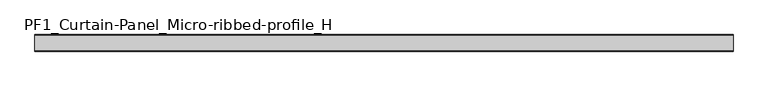
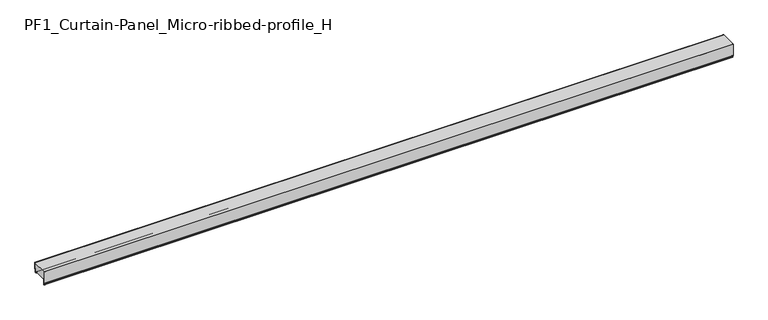
"""IFC4 building model written with IfcOpenShell, lengths in millimetres: plate geometry, PF1_Curtain-Panel_Micro-ribbed-profile_H."""

from ifc_helpers import new_model, si_unit, point, frame, frame_2d, origin, place, context, project, spatial, polyline, circle_curve, trimmed, segment, composite_curve, outline, extrude, source, transform, mapped, element, save


def pf1_curtain_panel_micro_ribbed_profile_h_3c71a68b(model_context):
    return source(origin(), model_context, "Body", "SweptSolid", [
        extrude(outline(composite_curve([segment(polyline([(-90.0, 0.0), (-93.5, 0.0)]), True, "CONTINUOUS"), segment(trimmed(circle_curve(frame_2d((-93.5, -2.0)), 2.0), [point((-93.5, 0.0))], [point((-95.5, -2.0))], True, "CARTESIAN"), True, "CONTINUOUS"), segment(polyline([(-95.5, -2.0), (-95.5, -33.0)]), True, "CONTINUOUS"), segment(trimmed(circle_curve(frame_2d((-96.5, -33.0)), 1.0), [point((-95.5, -33.0))], [point((-97.5, -33.0))], False, "CARTESIAN"), True, "CONTINUOUS"), segment(polyline([(-97.5, -33.0), (-97.5, -26.9)]), True, "CONTINUOUS"), segment(trimmed(circle_curve(frame_2d((-98.4, -26.9)), 0.9), [point((-97.5, -26.9))], [point((-98.4, -26.0))], True, "CARTESIAN"), True, "CONTINUOUS"), segment(trimmed(circle_curve(frame_2d((-98.4, -24.4)), 1.6), [point((-98.4, -26.0))], [point((-100.0, -24.4))], False, "CARTESIAN"), True, "CONTINUOUS"), segment(polyline([(-100.0, -24.4), (-100.0, 50.0), (-99.2, 50.0), (-99.2, -24.4)]), True, "CONTINUOUS"), segment(trimmed(circle_curve(frame_2d((-98.4, -24.4)), 0.8), [point((-99.2, -24.4))], [point((-98.4, -25.2))], True, "CARTESIAN"), True, "CONTINUOUS"), segment(trimmed(circle_curve(frame_2d((-98.6133333, -26.9)), 1.7133333), [point((-98.4, -25.2))], [point((-96.9, -26.9))], False, "CARTESIAN"), True, "CONTINUOUS"), segment(polyline([(-96.9, -26.9), (-96.9, -32.8700312)]), True, "CONTINUOUS"), segment(trimmed(circle_curve(frame_2d((-96.6, -32.8700312)), 0.3), [point((-96.9, -32.8700312))], [point((-96.3, -32.8700312))], True, "CARTESIAN"), True, "CONTINUOUS"), segment(polyline([(-96.3, -32.8700312), (-96.3, -2.0)]), True, "CONTINUOUS"), segment(trimmed(circle_curve(frame_2d((-93.5, -2.0)), 2.8), [point((-96.3, -2.0))], [point((-93.5, 0.8))], False, "CARTESIAN"), True, "CONTINUOUS"), segment(polyline([(-93.5, 0.8), (-90.0, 0.8), (-90.0, 0.0)]), True, "CONTINUOUS")], self_intersect=False)), frame((-2100.0, 0.0, 0.0), z_axis=(1.0, 0.0, 0.0), x_axis=(0.0, 1.0, 0.0)), (0.0, 0.0, 1.0), 4200.0),
        extrude(outline(composite_curve([segment(polyline([(-15.878557, 0.0), (-20.0, 0.0), (-20.0, 0.8), (-15.878557, 0.8)]), True, "CONTINUOUS"), segment(trimmed(circle_curve(frame_2d((-15.878557, -2.0)), 2.8), [point((-15.878557, 0.8))], [point((-13.1503208, -1.370137))], False, "CARTESIAN"), True, "CONTINUOUS"), segment(polyline([(-13.1503208, -1.370137), (-11.728236, -7.529863)]), True, "CONTINUOUS"), segment(trimmed(circle_curve(frame_2d((-9.0, -6.9)), 2.8), [point((-11.728236, -7.529863))], [point((-6.2, -6.9))], True, "CARTESIAN"), True, "CONTINUOUS"), segment(polyline([(-6.2, -6.9), (-6.2, 8.6)]), True, "CONTINUOUS"), segment(trimmed(circle_curve(frame_2d((-3.4, 8.6)), 2.8), [point((-6.2, 8.6))], [point((-3.4, 11.4))], False, "CARTESIAN"), True, "CONTINUOUS"), segment(polyline([(-3.4, 11.4), (-2.0, 11.4)]), True, "CONTINUOUS"), segment(trimmed(circle_curve(frame_2d((-2.0, 12.6)), 1.2), [point((-2.0, 11.4))], [point((-0.8, 12.6))], True, "CARTESIAN"), True, "CONTINUOUS"), segment(polyline([(-0.8, 12.6), (-0.8, 50.0), (0.0, 50.0), (0.0, 12.6)]), True, "CONTINUOUS"), segment(trimmed(circle_curve(frame_2d((-2.0, 12.6)), 2.0), [point((0.0, 12.6))], [point((-2.0, 10.6))], False, "CARTESIAN"), True, "CONTINUOUS"), segment(polyline([(-2.0, 10.6), (-3.4, 10.6)]), True, "CONTINUOUS"), segment(trimmed(circle_curve(frame_2d((-3.4, 8.6)), 2.0), [point((-3.4, 10.6))], [point((-5.4, 8.6))], True, "CARTESIAN"), True, "CONTINUOUS"), segment(polyline([(-5.4, 8.6), (-5.4, -6.9)]), True, "CONTINUOUS"), segment(trimmed(circle_curve(frame_2d((-9.0, -6.9)), 3.6), [point((-5.4, -6.9))], [point((-12.5077322, -7.7098239))], False, "CARTESIAN"), True, "CONTINUOUS"), segment(polyline([(-12.5077322, -7.7098239), (-13.929817, -1.5500979)]), True, "CONTINUOUS"), segment(trimmed(circle_curve(frame_2d((-15.878557, -2.0)), 2.0), [point((-13.929817, -1.5500979))], [point((-15.878557, 0.0))], True, "CARTESIAN"), True, "CONTINUOUS")], self_intersect=False)), frame((-2100.0, 0.0, 0.0), z_axis=(1.0, 0.0, 0.0), x_axis=(0.0, 1.0, 0.0)), (0.0, 0.0, 1.0), 4200.0),
        extrude(outline(composite_curve([segment(polyline([(-90.0, 0.8), (-93.5, 0.8)]), True, "CONTINUOUS"), segment(trimmed(circle_curve(frame_2d((-93.5, -2.0)), 2.8), [point((-93.5, 0.8))], [point((-96.3, -2.0))], True, "CARTESIAN"), True, "CONTINUOUS"), segment(polyline([(-96.3, -2.0), (-96.3, -32.8700312)]), True, "CONTINUOUS"), segment(trimmed(circle_curve(frame_2d((-96.6, -32.8700312)), 0.3), [point((-96.3, -32.8700312))], [point((-96.9, -32.8700312))], False, "CARTESIAN"), True, "CONTINUOUS"), segment(polyline([(-96.9, -32.8700312), (-96.9, -26.9)]), True, "CONTINUOUS"), segment(trimmed(circle_curve(frame_2d((-98.6133333, -26.9)), 1.7133333), [point((-96.9, -26.9))], [point((-98.4, -25.2))], True, "CARTESIAN"), True, "CONTINUOUS"), segment(trimmed(circle_curve(frame_2d((-98.4, -24.4)), 0.8), [point((-98.4, -25.2))], [point((-99.2, -24.4))], False, "CARTESIAN"), True, "CONTINUOUS"), segment(polyline([(-99.2, -24.4), (-99.2, 50.0), (-0.8, 50.0), (-0.8, 12.6)]), True, "CONTINUOUS"), segment(trimmed(circle_curve(frame_2d((-2.0, 12.6)), 1.2), [point((-0.8, 12.6))], [point((-2.0, 11.4))], False, "CARTESIAN"), True, "CONTINUOUS"), segment(polyline([(-2.0, 11.4), (-3.4, 11.4)]), True, "CONTINUOUS"), segment(trimmed(circle_curve(frame_2d((-3.4, 8.6)), 2.8), [point((-3.4, 11.4))], [point((-6.2, 8.6))], True, "CARTESIAN"), True, "CONTINUOUS"), segment(polyline([(-6.2, 8.6), (-6.2, -6.9)]), True, "CONTINUOUS"), segment(trimmed(circle_curve(frame_2d((-9.0, -6.9)), 2.8), [point((-6.2, -6.9))], [point((-11.7282362, -7.529863))], False, "CARTESIAN"), True, "CONTINUOUS"), segment(polyline([(-11.7282362, -7.529863), (-13.1503208, -1.370137)]), True, "CONTINUOUS"), segment(trimmed(circle_curve(frame_2d((-15.878557, -2.0)), 2.8), [point((-13.1503208, -1.370137))], [point((-15.878557, 0.8))], True, "CARTESIAN"), True, "CONTINUOUS"), segment(polyline([(-15.878557, 0.8), (-20.0, 0.8), (-20.0, 0.0), (-90.0, 0.0), (-90.0, 0.8)]), True, "CONTINUOUS")], self_intersect=False)), frame((-2100.0, 0.0, 0.0), z_axis=(1.0, 0.0, 0.0), x_axis=(0.0, 1.0, 0.0)), (0.0, 0.0, 1.0), 4200.0),
    ])


if __name__ == "__main__":
    model = new_model("IFC4")
    model_context = context("Model", 3, world=origin())
    ifc_project = project(units=[si_unit("LENGTHUNIT", "METRE", prefix="MILLI")], contexts=[model_context])
    site = spatial("IfcSite", under=ifc_project)
    building = spatial("IfcBuilding", under=site)
    placement = place(None, origin())
    pf1_curtain_panel_micro_ribbed_profile_h_shape = pf1_curtain_panel_micro_ribbed_profile_h_3c71a68b(model_context)
    element("IfcPlate", 1, ObjectType="PF1_Curtain-Panel_Micro-ribbed-profile_H", at=placement, inside=building, context=model_context, shape_type="MappedRepresentation", body=[
        mapped(pf1_curtain_panel_micro_ribbed_profile_h_shape, transform((0.0, 0.0, 0.0), x_axis=(1.0, 0.0, 0.0), y_axis=(0.0, 1.0, 0.0), z_axis=(0.0, 0.0, 1.0))),
    ])
    save(model, "model.ifc")
